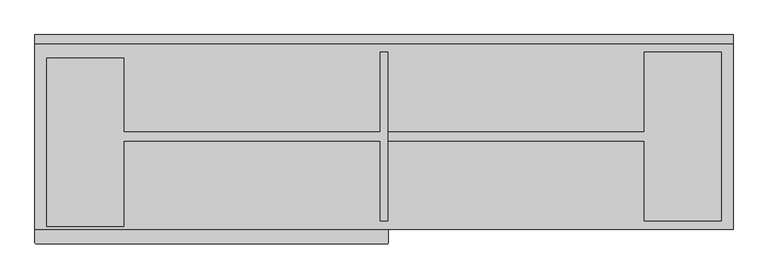
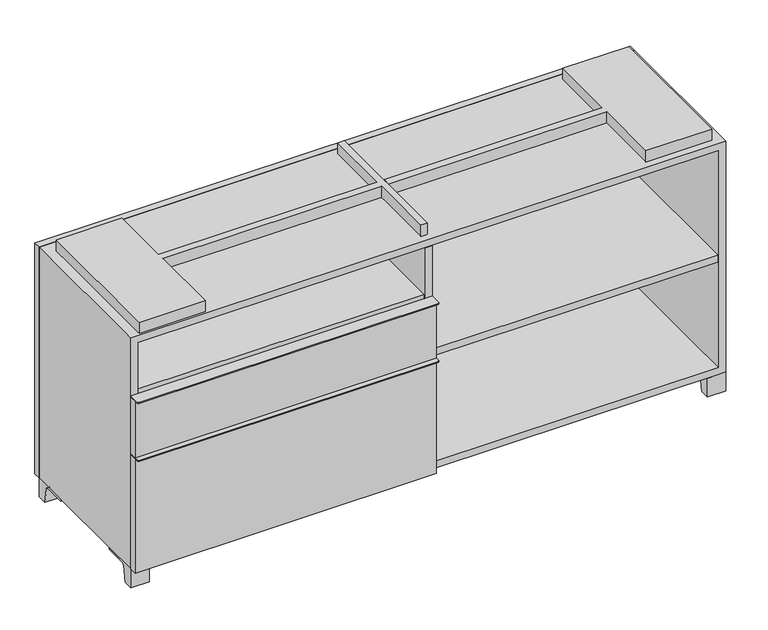
"""IFC4 building model written with IfcOpenShell, lengths in millimetres: furniture geometry."""

from ifc_helpers import new_model, si_unit, point, frame, frame_2d, origin, place, context, project, spatial, polyline, circle_curve, trimmed, segment, composite_curve, outline, extrude, source, transform, mapped, element, save


def furniture_575c89d8(model_context):
    return source(origin(), model_context, "Body", "SweptSolid", [
        extrude(outline(polyline([(-9.5111094, 234.95), (-9.5111094, -136.525), (-742.9361094, -136.525), (-742.9361094, 234.95), (-9.5111094, 234.95)])), frame((0.0, 0.0, 510.38125), z_axis=(0.0, 0.0, 1.0), x_axis=(1.0, 0.0, 0.0)), (0.0, 0.0, 1.0), 19.05),
        extrude(outline(composite_curve([segment(polyline([(9.5388906, -139.7), (9.5388906, -168.275)]), True, "CONTINUOUS"), segment(trimmed(circle_curve(frame_2d((6.3638906, -168.275)), 3.175), [point((9.5388906, -168.275))], [point((6.3638906, -171.45))], False, "CARTESIAN"), True, "CONTINUOUS"), segment(polyline([(6.3638906, -171.45), (-758.8111094, -171.45)]), True, "CONTINUOUS"), segment(trimmed(circle_curve(frame_2d((-758.8111094, -168.275)), 3.175), [point((-758.8111094, -171.45))], [point((-761.9861094, -168.275))], False, "CARTESIAN"), True, "CONTINUOUS"), segment(polyline([(-761.9861094, -168.275), (-761.9861094, -139.7), (9.5388906, -139.7)]), True, "CONTINUOUS")], self_intersect=False)), frame((0.0, 0.0, 517.525), z_axis=(0.0, 0.0, 1.0), x_axis=(1.0, 0.0, 0.0)), (0.0, 0.0, 1.0), 2.38125),
        extrude(outline(polyline([(9.5388906, -139.7), (9.5388906, -158.75), (-761.9861094, -158.75), (-761.9861094, -139.7), (9.5388906, -139.7)])), frame((0.0, 0.0, 363.5375), z_axis=(0.0, 0.0, 1.0), x_axis=(1.0, 0.0, 0.0)), (0.0, 0.0, 1.0), 153.9875),
        extrude(outline(composite_curve([segment(polyline([(9.5388906, -139.7), (9.5388906, -168.275)]), True, "CONTINUOUS"), segment(trimmed(circle_curve(frame_2d((6.3638906, -168.275)), 3.175), [point((9.5388906, -168.275))], [point((6.3638906, -171.45))], False, "CARTESIAN"), True, "CONTINUOUS"), segment(polyline([(6.3638906, -171.45), (-758.8111094, -171.45)]), True, "CONTINUOUS"), segment(trimmed(circle_curve(frame_2d((-758.8111094, -168.275)), 3.175), [point((-758.8111094, -171.45))], [point((-761.9861094, -168.275))], False, "CARTESIAN"), True, "CONTINUOUS"), segment(polyline([(-761.9861094, -168.275), (-761.9861094, -139.7), (9.5388906, -139.7)]), True, "CONTINUOUS")], self_intersect=False)), frame((0.0, 0.0, 361.15625), z_axis=(0.0, 0.0, 1.0), x_axis=(1.0, 0.0, 0.0)), (0.0, 0.0, 1.0), 2.38125),
        extrude(outline(polyline([(9.5388906, -139.7), (9.5388906, -158.75), (-761.9861094, -158.75), (-761.9861094, -139.7), (9.5388906, -139.7)])), frame((0.0, 0.0, 50.8), z_axis=(0.0, 0.0, 1.0), x_axis=(1.0, 0.0, 0.0)), (0.0, 0.0, 1.0), 310.35625),
        extrude(outline(polyline([(742.9569453, 234.95), (742.9569453, -136.525), (9.5319453, -136.525), (9.5319453, 234.95), (742.9569453, 234.95)])), frame((0.0, 0.0, 354.0125), z_axis=(0.0, 0.0, 1.0), x_axis=(1.0, 0.0, 0.0)), (0.0, 0.0, 1.0), 19.05),
        extrude(outline(composite_curve([segment(polyline([(53.9749864, 0.0), (28.575, 0.0), (28.575, 50.8), (123.825, 50.8), (123.825, 46.0213321), (67.0244655, 46.0213321)]), True, "CONTINUOUS"), segment(trimmed(circle_curve(frame_2d((67.0244655, 39.6713321)), 6.35), [point((67.0244655, 46.0213321))], [point((60.7608641, 40.7152656))], True, "CARTESIAN"), True, "CONTINUOUS"), segment(polyline([(60.7608641, 40.7152656), (53.9749864, 0.0)]), True, "CONTINUOUS")], self_intersect=False)), frame((-23.7986094, 0.0, 0.0), z_axis=(1.0, 0.0, 0.0), x_axis=(0.0, 1.0, 0.0)), (0.0, 0.0, 1.0), 47.625),
        extrude(outline(composite_curve([segment(polyline([(-114.3000136, 0.0), (-139.7, 0.0), (-139.7, 50.8), (-44.45, 50.8), (-44.45, 46.0213321), (-101.2505345, 46.0213321)]), True, "CONTINUOUS"), segment(trimmed(circle_curve(frame_2d((-101.2505345, 39.6713321)), 6.35), [point((-101.2505345, 46.0213321))], [point((-107.5141359, 40.7152656))], True, "CARTESIAN"), True, "CONTINUOUS"), segment(polyline([(-107.5141359, 40.7152656), (-114.3000136, 0.0)]), True, "CONTINUOUS")], self_intersect=False)), frame((714.3888906, 0.0, 0.0), z_axis=(1.0, 0.0, 0.0), x_axis=(0.0, 1.0, 0.0)), (0.0, 0.0, 1.0), 47.625),
        extrude(outline(composite_curve([segment(polyline([(241.3000136, 0.0), (234.5141359, 40.7152656)]), True, "CONTINUOUS"), segment(trimmed(circle_curve(frame_2d((228.2505345, 39.6713321)), 6.35), [point((234.5141359, 40.7152656))], [point((228.2505345, 46.0213321))], True, "CARTESIAN"), True, "CONTINUOUS"), segment(polyline([(228.2505345, 46.0213321), (171.45, 46.0213321), (171.45, 50.8), (266.7, 50.8), (266.7, 0.0), (241.3000136, 0.0)]), True, "CONTINUOUS")], self_intersect=False)), frame((714.3888906, 0.0, 0.0), z_axis=(1.0, 0.0, 0.0), x_axis=(0.0, 1.0, 0.0)), (0.0, 0.0, 1.0), 47.625),
        extrude(outline(composite_curve([segment(polyline([(-114.3000136, 0.0), (-139.7, 0.0), (-139.7, 50.8), (-44.45, 50.8), (-44.45, 46.0213321), (-101.2505345, 46.0213321)]), True, "CONTINUOUS"), segment(trimmed(circle_curve(frame_2d((-101.2505345, 39.6713321)), 6.35), [point((-101.2505345, 46.0213321))], [point((-107.5141359, 40.7152656))], True, "CARTESIAN"), True, "CONTINUOUS"), segment(polyline([(-107.5141359, 40.7152656), (-114.3000136, 0.0)]), True, "CONTINUOUS")], self_intersect=False)), frame((-761.9861094, 0.0, 0.0), z_axis=(1.0, 0.0, 0.0), x_axis=(0.0, 1.0, 0.0)), (0.0, 0.0, 1.0), 47.625),
        extrude(outline(composite_curve([segment(polyline([(241.3000136, 0.0), (234.5141359, 40.7152656)]), True, "CONTINUOUS"), segment(trimmed(circle_curve(frame_2d((228.2505345, 39.6713321)), 6.35), [point((234.5141359, 40.7152656))], [point((228.2505345, 46.0213321))], True, "CARTESIAN"), True, "CONTINUOUS"), segment(polyline([(228.2505345, 46.0213321), (171.45, 46.0213321), (171.45, 50.8), (266.7, 50.8), (266.7, 0.0), (241.3000136, 0.0)]), True, "CONTINUOUS")], self_intersect=False)), frame((-761.9861094, 0.0, 0.0), z_axis=(1.0, 0.0, 0.0), x_axis=(0.0, 1.0, 0.0)), (0.0, 0.0, 1.0), 47.625),
        extrude(outline(polyline([(-736.5791641, -133.35), (-736.5791641, 234.95), (-568.3041641, 234.95), (-568.3041641, 73.025), (-7.9236094, 73.025), (-7.9236094, 247.65), (7.9513906, 247.65), (7.9513906, -120.65), (-7.9236094, -120.65), (-7.9236094, 53.975), (-568.3041641, 53.975), (-568.3041641, -133.35), (-736.5791641, -133.35)])), frame((0.0, 0.0, 676.275), z_axis=(0.0, 0.0, 1.0), x_axis=(1.0, 0.0, 0.0)), (0.0, 0.0, 1.0), 30.1625),
        extrude(outline(polyline([(9.5388906, 73.025), (568.3111094, 73.025), (568.3111094, 247.65), (736.5861094, 247.65), (736.5861094, -120.65), (568.3111094, -120.65), (568.3111094, 53.975), (9.5388906, 53.975), (9.5388906, 73.025)])), frame((0.0, 0.0, 676.275), z_axis=(0.0, 0.0, 1.0), x_axis=(1.0, 0.0, 0.0)), (0.0, 0.0, 1.0), 30.1625),
        extrude(outline(polyline([(9.5388906, 234.95), (9.5388906, -139.7), (-9.5111094, -139.7), (-9.5111094, 234.95), (9.5388906, 234.95)])), frame((0.0, 0.0, 69.85), z_axis=(0.0, 0.0, 1.0), x_axis=(1.0, 0.0, 0.0)), (0.0, 0.0, 1.0), 587.375),
        extrude(outline(polyline([(762.0138906, 266.7), (-761.9861094, 266.7), (-761.9861094, 285.75), (762.0138906, 285.75), (762.0138906, 266.7)])), frame((0.0, 0.0, 50.8), z_axis=(0.0, 0.0, 1.0), x_axis=(1.0, 0.0, 0.0)), (0.0, 0.0, 1.0), 625.475),
        extrude(outline(polyline([(50.8, -761.9861094), (50.8, 762.0), (676.275, 762.0), (676.275, -761.9861094), (50.8, -761.9861094)]), holes=[polyline([(69.85, -742.9361094), (657.225, -742.9361094), (657.225, 742.9361094), (69.85, 742.9361094), (69.85, -742.9361094)])]), frame((0.0, -139.7, 0.0), z_axis=(0.0, 1.0, 0.0), x_axis=(0.0, 0.0, 1.0)), (0.0, 0.0, 1.0), 406.4),
        extrude(outline(polyline([(-742.9291641, 234.95), (-742.9291641, 241.3), (742.9569453, 241.3), (742.9569453, 234.95), (-742.9291641, 234.95)])), frame((0.0, 0.0, 69.85), z_axis=(0.0, 0.0, 1.0), x_axis=(1.0, 0.0, 0.0)), (0.0, 0.0, 1.0), 587.375),
    ])


if __name__ == "__main__":
    model = new_model("IFC4")
    model_context = context("Model", 3, world=origin())
    ifc_project = project(units=[si_unit("LENGTHUNIT", "METRE", prefix="MILLI")], contexts=[model_context])
    site = spatial("IfcSite", under=ifc_project)
    building = spatial("IfcBuilding", under=site)
    placement = place(None, origin())
    furniture_shape = furniture_575c89d8(model_context)
    element("IfcFurniture", 1, at=placement, inside=building, context=model_context, shape_type="MappedRepresentation", body=[
        mapped(furniture_shape, transform((0.0, 0.0, 0.0), x_axis=(1.0, 0.0, 0.0), y_axis=(0.0, 1.0, 0.0), z_axis=(0.0, 0.0, 1.0))),
    ])
    save(model, "model.ifc")
